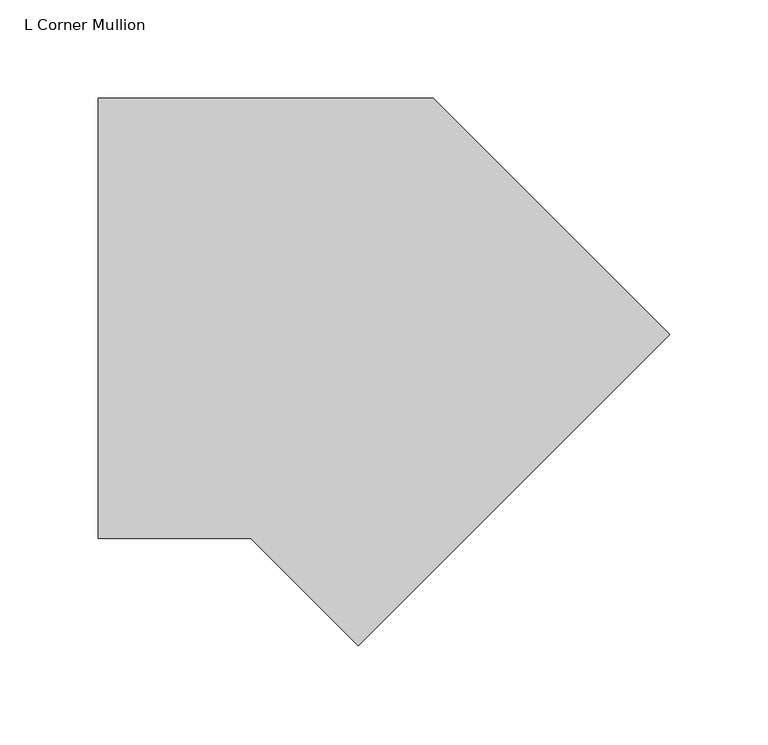
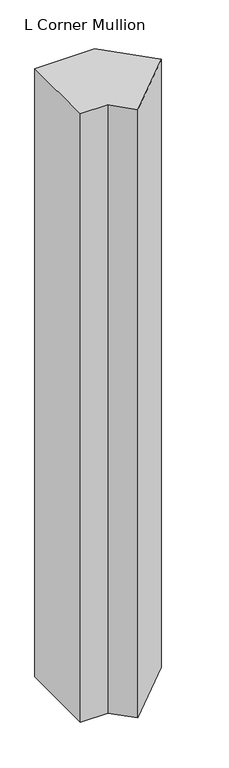
"""IFC4 building model written with IfcOpenShell, lengths in millimetres: member geometry, L Corner Mullion."""

from ifc_helpers import new_model, si_unit, frame, origin, place, context, project, spatial, polyline, outline, extrude, source, transform, mapped, element, save


def l_corner_mullion_76ad8878(model_context):
    return source(origin(), model_context, "Body", "SweptSolid", [
        extrude(outline(polyline([(-20.5138272, -236.5460042), (-75.2910815, -181.76875), (-152.7578173, -181.76875), (-152.7578173, 42.06875), (17.4254468, 42.06875), (137.7631869, -78.2689901), (-20.5138272, -236.5460042)])), frame((0.0, 0.0, -1828.8), z_axis=(0.0, 0.0, 1.0), x_axis=(1.0, 0.0, 0.0)), (0.0, 0.0, 1.0), 1828.8),
    ])


if __name__ == "__main__":
    model = new_model("IFC4")
    model_context = context("Model", 3, world=origin())
    ifc_project = project(units=[si_unit("LENGTHUNIT", "METRE", prefix="MILLI")], contexts=[model_context])
    site = spatial("IfcSite", under=ifc_project)
    building = spatial("IfcBuilding", under=site)
    placement = place(None, origin())
    l_corner_mullion_shape = l_corner_mullion_76ad8878(model_context)
    element("IfcMember", 1, ObjectType="L Corner Mullion", at=placement, inside=building, context=model_context, shape_type="MappedRepresentation", body=[
        mapped(l_corner_mullion_shape, transform((0.0, 0.0, 0.0), x_axis=(1.0, 0.0, 0.0), y_axis=(0.0, 1.0, 0.0), z_axis=(0.0, 0.0, 1.0))),
    ])
    save(model, "model.ifc")
